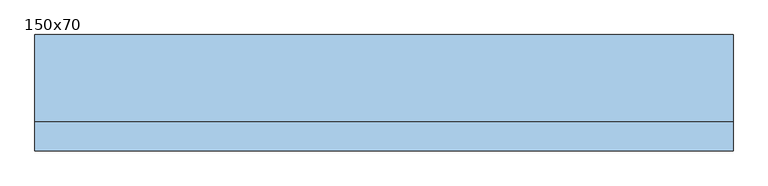
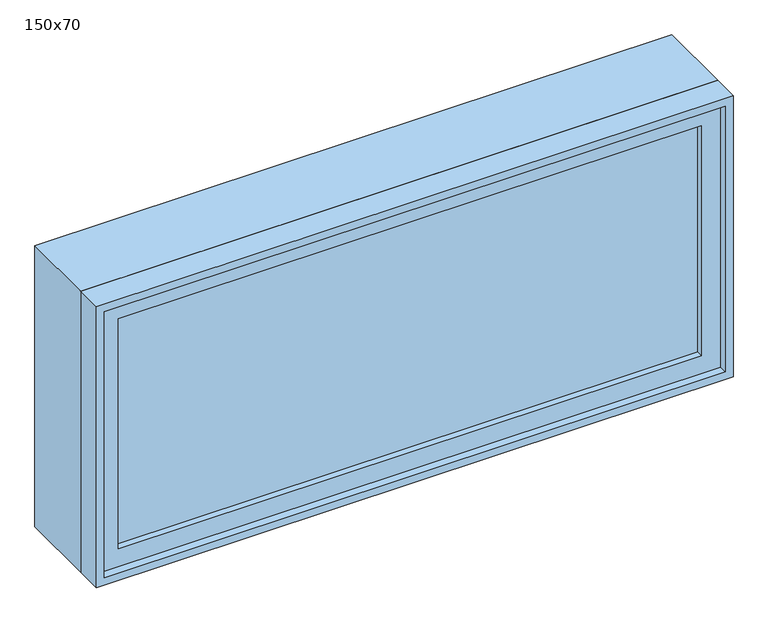
"""IFC4 building model written with IfcOpenShell, lengths in millimetres: window geometry, 150x70."""

from ifc_helpers import new_model, si_unit, frame, origin, place, context, project, spatial, polyline, outline, extrude, source, transform, mapped, element, save


def window_150x70_063b5b56(model_context):
    return source(origin(), model_context, "Body", "SweptSolid", [
        extrude(outline(polyline([(648.4, -77.375), (648.4, -90.075), (-724.6, -90.075), (-724.6, -77.375), (648.4, -77.375)])), frame((0.0, 0.0, 977.9), z_axis=(0.0, 0.0, 1.0), x_axis=(1.0, 0.0, 0.0)), (0.0, 0.0, 1.0), 573.0),
        extrude(outline(polyline([(1595.35, -769.05), (933.45, -769.05), (933.45, 692.85), (1595.35, 692.85), (1595.35, -769.05)]), holes=[polyline([(1550.9, -724.6), (1550.9, 648.4), (977.9, 648.4), (977.9, -724.6), (1550.9, -724.6)])]), frame((0.0, -105.95, 0.0), z_axis=(0.0, 1.0, 0.0), x_axis=(0.0, 0.0, 1.0)), (0.0, 0.0, 1.0), 44.45),
        extrude(outline(polyline([(1614.4, -788.1), (914.4, -788.1), (914.4, 711.9), (1614.4, 711.9), (1614.4, -788.1)]), holes=[polyline([(1582.65, -756.35), (1582.65, 680.15), (946.15, 680.15), (946.15, -756.35), (1582.65, -756.35)])]), frame((0.0, -61.5, 0.0), z_axis=(0.0, 1.0, 0.0), x_axis=(0.0, 0.0, 1.0)), (0.0, 0.0, 1.0), 186.5),
        extrude(outline(polyline([(1614.4, 711.9), (1614.4, -788.1), (914.4, -788.1), (914.4, 711.9), (1614.4, 711.9)]), holes=[polyline([(1595.35, 692.85), (933.45, 692.85), (933.45, -769.05), (1595.35, -769.05), (1595.35, 692.85)])]), frame((0.0, -125.0, 0.0), z_axis=(0.0, 1.0, 0.0), x_axis=(0.0, 0.0, 1.0)), (0.0, 0.0, 1.0), 63.5),
    ])


if __name__ == "__main__":
    model = new_model("IFC4")
    model_context = context("Model", 3, world=origin())
    ifc_project = project(units=[si_unit("LENGTHUNIT", "METRE", prefix="MILLI")], contexts=[model_context])
    site = spatial("IfcSite", under=ifc_project)
    building = spatial("IfcBuilding", under=site)
    placement = place(None, origin())
    window_150x70_shape = window_150x70_063b5b56(model_context)
    element("IfcWindow", 1, ObjectType="150x70", at=placement, inside=building, context=model_context, shape_type="MappedRepresentation", body=[
        mapped(window_150x70_shape, transform((0.0, 0.0, 0.0), x_axis=(1.0, 0.0, 0.0), y_axis=(0.0, 1.0, 0.0), z_axis=(0.0, 0.0, 1.0))),
    ])
    save(model, "model.ifc")
